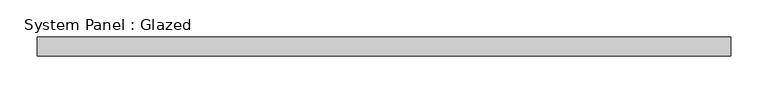
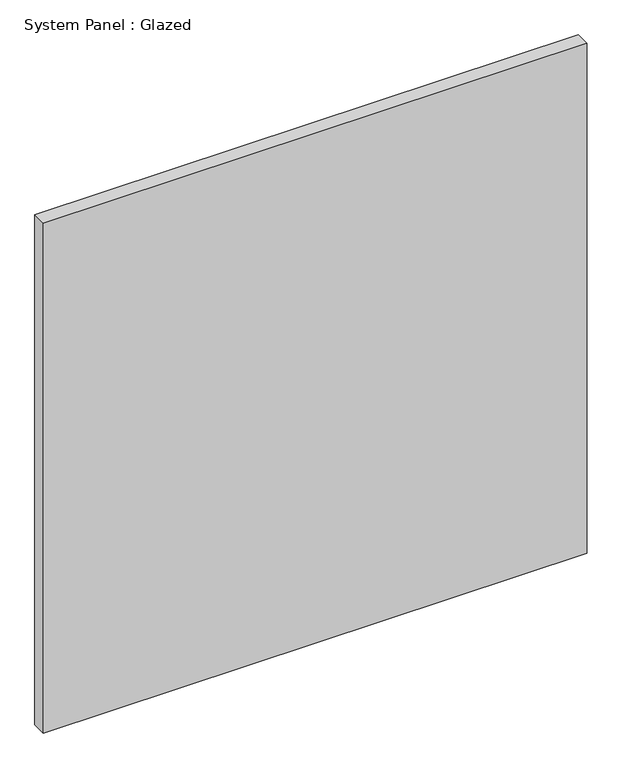
"""IFC4 building model written with IfcOpenShell, lengths in millimetres: plate geometry, System Panel : Glazed."""

from ifc_helpers import new_model, si_unit, origin, origin_with_axes, place, context, project, spatial, polyline, outline, extrude, source, transform, mapped, element, save


def system_panel_glazed_e9a7d7dc(model_context):
    return source(origin(), model_context, "Body", "SweptSolid", [
        extrude(outline(polyline([(466.725, 19.05), (-466.725, 19.05), (-466.725, 44.45), (466.725, 44.45), (466.725, 19.05)])), origin_with_axes(), (0.0, 0.0, 1.0), 924.8365026),
    ])


if __name__ == "__main__":
    model = new_model("IFC4")
    model_context = context("Model", 3, world=origin())
    ifc_project = project(units=[si_unit("LENGTHUNIT", "METRE", prefix="MILLI")], contexts=[model_context])
    site = spatial("IfcSite", under=ifc_project)
    building = spatial("IfcBuilding", under=site)
    placement = place(None, origin())
    system_panel_glazed_shape = system_panel_glazed_e9a7d7dc(model_context)
    element("IfcPlate", 1, ObjectType="System Panel : Glazed", at=placement, inside=building, context=model_context, shape_type="MappedRepresentation", body=[
        mapped(system_panel_glazed_shape, transform((0.0, 0.0, 0.0), x_axis=(1.0, 0.0, 0.0), y_axis=(0.0, 1.0, 0.0), z_axis=(0.0, 0.0, 1.0))),
    ])
    save(model, "model.ifc")
